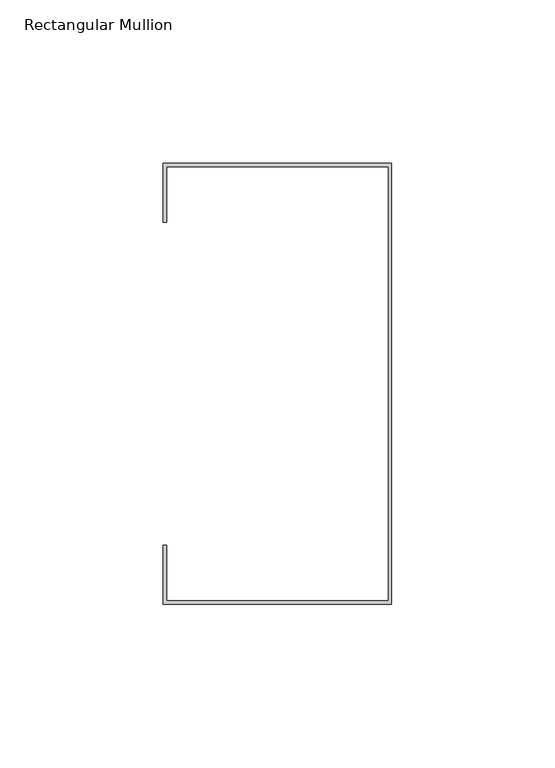
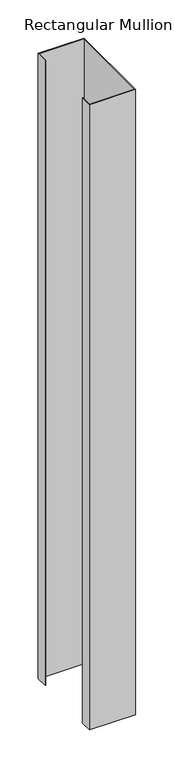
"""IFC4 building model written with IfcOpenShell, lengths in millimetres: member geometry, Rectangular Mullion."""

from ifc_helpers import new_model, si_unit, frame, origin, place, context, project, spatial, polyline, outline, extrude, source, transform, mapped, element, save


def rectangular_mullion_731ca36e(model_context):
    return source(origin(), model_context, "Body", "SweptSolid", [
        extrude(outline(polyline([(-250.0, 159.9842182), (-250.0, 24.9842182), (-320.0, 24.9842182), (-320.0, 42.9842182), (-319.0, 42.9842182), (-319.0, 25.9842182), (-251.0, 25.9842182), (-251.0, 158.9842182), (-319.0, 158.9842182), (-319.0, 141.9842182), (-320.0, 141.9842182), (-320.0, 159.9842182), (-250.0, 159.9842182)])), frame((0.0, 0.0, -1000.0), z_axis=(0.0, 0.0, 1.0), x_axis=(1.0, 0.0, 0.0)), (0.0, 0.0, 1.0), 1000.0),
    ])


if __name__ == "__main__":
    model = new_model("IFC4")
    model_context = context("Model", 3, world=origin())
    ifc_project = project(units=[si_unit("LENGTHUNIT", "METRE", prefix="MILLI")], contexts=[model_context])
    site = spatial("IfcSite", under=ifc_project)
    building = spatial("IfcBuilding", under=site)
    placement = place(None, origin())
    rectangular_mullion_shape = rectangular_mullion_731ca36e(model_context)
    element("IfcMember", 1, ObjectType="Rectangular Mullion", at=placement, inside=building, context=model_context, shape_type="MappedRepresentation", body=[
        mapped(rectangular_mullion_shape, transform((0.0, 0.0, 0.0), x_axis=(1.0, 0.0, 0.0), y_axis=(0.0, 1.0, 0.0), z_axis=(0.0, 0.0, 1.0))),
    ])
    save(model, "model.ifc")
